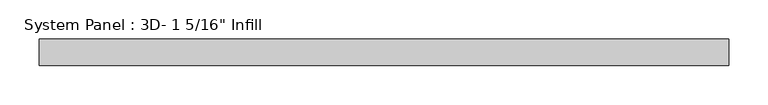
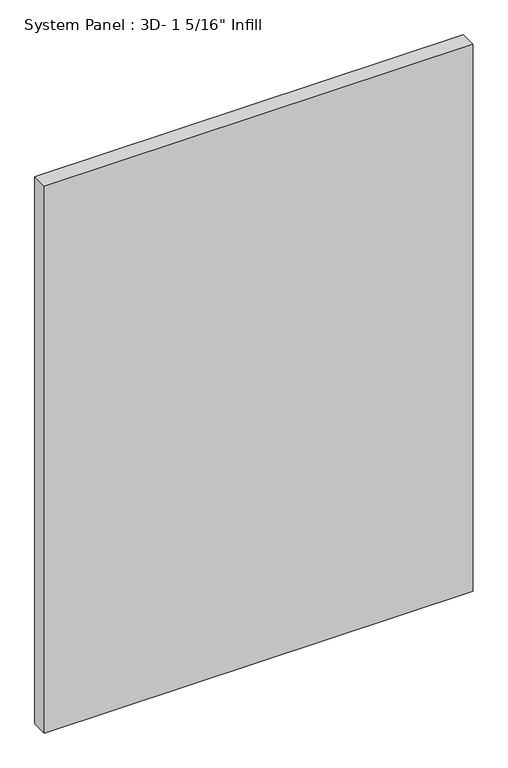
"""IFC4 building model written with IfcOpenShell, lengths in millimetres: plate geometry."""

from ifc_helpers import new_model, si_unit, origin, origin_with_axes, place, context, project, spatial, polyline, outline, extrude, source, transform, mapped, element, save


def plate_63a19546(model_context):
    return source(origin(), model_context, "Body", "SweptSolid", [
        extrude(outline(polyline([(438.1038418, -16.66875), (-438.1038418, -16.66875), (-438.1038418, 16.66875), (438.1038418, 16.66875), (438.1038418, -16.66875)])), origin_with_axes(), (0.0, 0.0, 1.0), 1181.1),
    ])


if __name__ == "__main__":
    model = new_model("IFC4")
    model_context = context("Model", 3, world=origin())
    ifc_project = project(units=[si_unit("LENGTHUNIT", "METRE", prefix="MILLI")], contexts=[model_context])
    site = spatial("IfcSite", under=ifc_project)
    building = spatial("IfcBuilding", under=site)
    placement = place(None, origin())
    plate_shape = plate_63a19546(model_context)
    element("IfcPlate", 1, ObjectType="System Panel : 3D- 1 5/16\" Infill", at=placement, inside=building, context=model_context, shape_type="MappedRepresentation", body=[
        mapped(plate_shape, transform((0.0, 0.0, 0.0), x_axis=(1.0, 0.0, 0.0), y_axis=(0.0, 1.0, 0.0), z_axis=(0.0, 0.0, 1.0))),
    ])
    save(model, "model.ifc")
